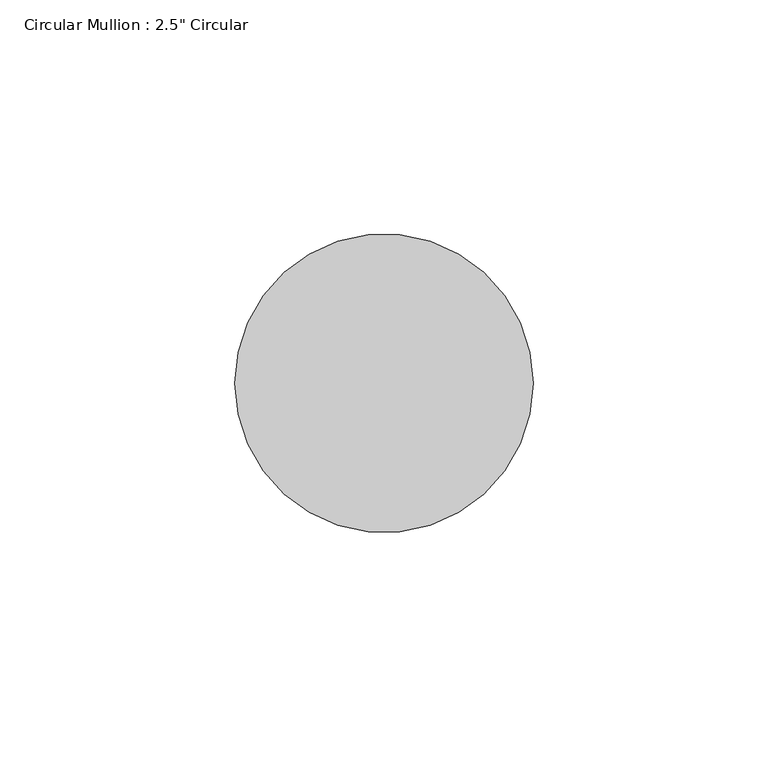
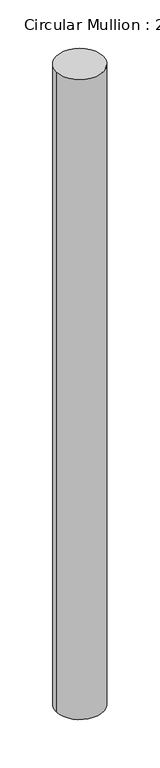
"""IFC4 building model written with IfcOpenShell, lengths in millimetres: member geometry."""

from ifc_helpers import new_model, si_unit, point, frame, origin, origin_2d, place, context, project, spatial, circle_curve, trimmed, segment, composite_curve, outline, extrude, source, transform, mapped, element, save


def member_cba15dde(model_context):
    return source(origin(), model_context, "Body", "SweptSolid", [
        extrude(outline(composite_curve([segment(trimmed(circle_curve(origin_2d(), 31.75), [point((31.75, 0.0))], [point((-31.75, 0.0))], False, "CARTESIAN"), True, "CONTINUOUS"), segment(trimmed(circle_curve(origin_2d(), 31.75), [point((-31.75, 0.0))], [point((31.75, 0.0))], False, "CARTESIAN"), True, "CONTINUOUS")], self_intersect=False)), frame((0.0, 0.0, -914.4), z_axis=(0.0, 0.0, 1.0), x_axis=(1.0, 0.0, 0.0)), (0.0, 0.0, 1.0), 914.4),
    ])


if __name__ == "__main__":
    model = new_model("IFC4")
    model_context = context("Model", 3, world=origin())
    ifc_project = project(units=[si_unit("LENGTHUNIT", "METRE", prefix="MILLI")], contexts=[model_context])
    site = spatial("IfcSite", under=ifc_project)
    building = spatial("IfcBuilding", under=site)
    placement = place(None, origin())
    member_shape = member_cba15dde(model_context)
    element("IfcMember", 1, ObjectType="Circular Mullion : 2.5\" Circular", at=placement, inside=building, context=model_context, shape_type="MappedRepresentation", body=[
        mapped(member_shape, transform((0.0, 0.0, 0.0), x_axis=(1.0, 0.0, 0.0), y_axis=(0.0, 1.0, 0.0), z_axis=(0.0, 0.0, 1.0))),
    ])
    save(model, "model.ifc")
